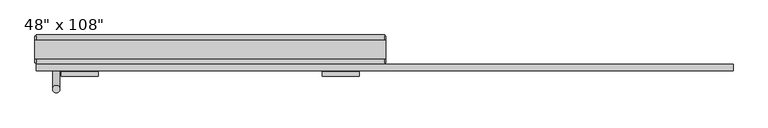
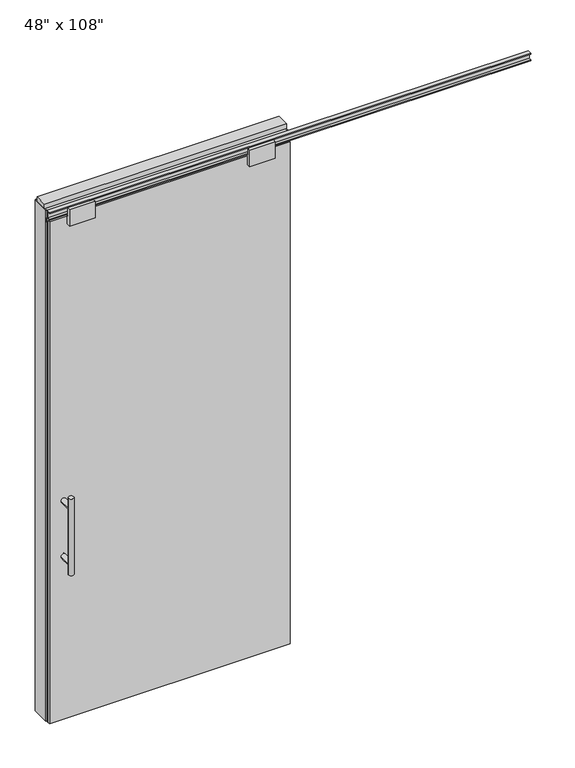
"""IFC4 building model written with IfcOpenShell, lengths in millimetres: furniture geometry."""

from ifc_helpers import new_model, si_unit, frame, origin, origin_with_axes, place, context, project, spatial, polyline, circle_curve, ellipse_curve, outline, extrude, source, transform, mapped, element, save
from ifc_brep_helpers import plane_surface, cylinder_surface, advanced_brep


def furniture_e03193cb(model_context):
    return source(origin(), model_context, "Body", "SolidModel", [
        extrude(outline(polyline([(545.6264771, -74.3677216), (-665.6995229, -74.3677216), (-665.6995229, -64.2077216), (545.6264771, -64.2077216), (545.6264771, -74.3677216)])), origin_with_axes(), (0.0, 0.0, 1.0), 2670.81),
        advanced_brep(
        [(-608.4225229, 3.3562784, 1219.2), (-583.0225229, 3.3562784, 1219.2), (-608.4225229, 3.3562784, 812.8), (-583.0225229, 3.3562784, 812.8), (-583.0225229, 3.3562784, 1164.336), (-583.0225229, 3.3562784, 867.664), (-608.4225229, 3.3562784, 867.664), (-608.4225229, 3.3562784, 1164.336), (-608.4225229, -64.2077216, 1164.336), (-583.0225229, -64.2077216, 1164.336), (-608.4225229, -64.2077216, 867.664), (-583.0225229, -64.2077216, 867.664)],
        [
            (0, 1, circle_curve(frame((-595.7225229, 3.3562784, 1219.2), z_axis=(0.0, 0.0, 1.0), x_axis=(1.0, 0.0, 0.0)), 12.7)),
            (1, 0, circle_curve(frame((-595.7225229, 3.3562784, 1219.2), z_axis=(0.0, 0.0, 1.0), x_axis=(1.0, 0.0, 0.0)), 12.7)),
            (2, 3, circle_curve(frame((-595.7225229, 3.3562784, 812.8), z_axis=(0.0, 0.0, -1.0), x_axis=(1.0, 0.0, 0.0)), 12.7)),
            (3, 2, circle_curve(frame((-595.7225229, 3.3562784, 812.8), z_axis=(0.0, 0.0, -1.0), x_axis=(1.0, 0.0, 0.0)), 12.7)),
            (1, 4),
            (4, 5),
            (5, 3),
            (2, 6),
            (6, 7),
            (7, 0),
            (6, 5, ellipse_curve(frame((-595.7225229, 3.3562784, 867.664), z_axis=(0.0, 0.707106781186565, 0.70710678118653), x_axis=(0.0, -0.70710678118653, 0.707106781186565)), 17.9605122, 12.7)),
            (4, 7, ellipse_curve(frame((-595.7225229, 3.3562784, 1164.336), z_axis=(0.0, 0.70710678118653, -0.7071067811865649), x_axis=(0.0, 0.7071067811865648, 0.7071067811865301)), 17.9605122, 12.7)),
            (7, 4, ellipse_curve(frame((-595.7225229, 3.3562784, 1164.336), z_axis=(0.0, 0.707106781186565, 0.70710678118653), x_axis=(0.0, -0.70710678118653, 0.707106781186565)), 17.9605122, 12.7)),
            (5, 6, ellipse_curve(frame((-595.7225229, 3.3562784, 867.664), z_axis=(0.0, 0.70710678118653, -0.7071067811865649), x_axis=(0.0, 0.7071067811865648, 0.7071067811865301)), 17.9605122, 12.7)),
            (8, 9, circle_curve(frame((-595.7225229, -64.2077216, 1164.336), z_axis=(0.0, -1.0, 0.0), x_axis=(1.0, 0.0, 0.0)), 12.7)),
            (9, 8, circle_curve(frame((-595.7225229, -64.2077216, 1164.336), z_axis=(0.0, -1.0, 0.0), x_axis=(1.0, 0.0, 0.0)), 12.7)),
            (8, 7),
            (4, 9),
            (10, 11, circle_curve(frame((-595.7225229, -64.2077216, 867.664), z_axis=(0.0, -1.0, 0.0), x_axis=(1.0, 0.0, 0.0)), 12.7)),
            (11, 10, circle_curve(frame((-595.7225229, -64.2077216, 867.664), z_axis=(0.0, -1.0, 0.0), x_axis=(1.0, 0.0, 0.0)), 12.7)),
            (10, 6),
            (5, 11),
        ],
        [
            plane_surface(frame((-583.0225229, 3.3562784, 1219.2), z_axis=(0.0, 0.0, 1.0), x_axis=(0.0, -1.0, 0.0))),
            plane_surface(frame((-583.0225229, 3.3562784, 812.8), z_axis=(0.0, 0.0, -1.0), x_axis=(0.0, 1.0, 0.0))),
            cylinder_surface(frame((-595.7225229, 3.3562784, 812.8), z_axis=(0.0, 0.0, 1.0), x_axis=(1.0, 0.0, 0.0)), 12.7),
            plane_surface(frame((-583.0225229, -64.2077216, 1164.336), z_axis=(0.0, -1.0, 0.0), x_axis=(0.0, 0.0, -1.0))),
            cylinder_surface(frame((-595.7225229, -64.2077216, 1164.336), z_axis=(0.0, 1.0, 0.0), x_axis=(1.0, 0.0, 0.0)), 12.7),
            plane_surface(frame((-583.0225229, -64.2077216, 867.664), z_axis=(0.0, -1.0, 0.0), x_axis=(0.0, 0.0, -1.0))),
            cylinder_surface(frame((-595.7225229, -64.2077216, 867.664), z_axis=(0.0, 1.0, 0.0), x_axis=(1.0, 0.0, 0.0)), 12.7),
        ],
        [
            (0, [[1, 2]]),
            (1, [[3, 4]]),
            (2, [[5, 6, 7, -3, 8, 9, 10, -2]]),
            (2, [[-9, 11, -6, 12]]),
            (2, [[-10, 13, -5, -1]]),
            (2, [[-7, 14, -8, -4]]),
            (3, [[15, 16]]),
            (4, [[17, -12, 18, -15]]),
            (4, [[-18, -13, -17, -16]]),
            (5, [[19, 20]]),
            (6, [[21, -14, 22, -19]]),
            (6, [[-22, -11, -21, -20]]),
        ],
    ),
        advanced_brep(
        [(-608.4225229, -141.9317216, 1219.2), (-583.0225229, -141.9317216, 1219.2), (-608.4225229, -141.9317216, 812.8), (-583.0225229, -141.9317216, 812.8), (-608.4225229, -141.9317216, 1164.336), (-608.4225229, -141.9317216, 867.664), (-583.0225229, -141.9317216, 867.664), (-583.0225229, -141.9317216, 1164.336), (-608.4225229, -74.3677216, 1164.336), (-583.0225229, -74.3677216, 1164.336), (-608.4225229, -74.3677216, 867.664), (-583.0225229, -74.3677216, 867.664)],
        [
            (0, 1, circle_curve(frame((-595.7225229, -141.9317216, 1219.2), z_axis=(0.0, 0.0, 1.0), x_axis=(1.0, 0.0, 0.0)), 12.7)),
            (1, 0, circle_curve(frame((-595.7225229, -141.9317216, 1219.2), z_axis=(0.0, 0.0, 1.0), x_axis=(1.0, 0.0, 0.0)), 12.7)),
            (2, 3, circle_curve(frame((-595.7225229, -141.9317216, 812.8), z_axis=(0.0, 0.0, -1.0), x_axis=(1.0, 0.0, 0.0)), 12.7)),
            (3, 2, circle_curve(frame((-595.7225229, -141.9317216, 812.8), z_axis=(0.0, 0.0, -1.0), x_axis=(1.0, 0.0, 0.0)), 12.7)),
            (0, 4),
            (4, 5),
            (5, 2),
            (3, 6),
            (6, 7),
            (7, 1),
            (7, 4, ellipse_curve(frame((-595.7225229, -141.9317216, 1164.336), z_axis=(0.0, -0.707106781186565, 0.70710678118653), x_axis=(0.0, 0.70710678118653, 0.707106781186565)), 17.9605122, 12.7)),
            (5, 6, ellipse_curve(frame((-595.7225229, -141.9317216, 867.664), z_axis=(0.0, -0.70710678118653, -0.7071067811865649), x_axis=(0.0, -0.7071067811865648, 0.7071067811865301)), 17.9605122, 12.7)),
            (4, 7, ellipse_curve(frame((-595.7225229, -141.9317216, 1164.336), z_axis=(0.0, -0.70710678118653, -0.7071067811865649), x_axis=(0.0, -0.7071067811865648, 0.7071067811865301)), 17.9605122, 12.7)),
            (6, 5, ellipse_curve(frame((-595.7225229, -141.9317216, 867.664), z_axis=(0.0, -0.707106781186565, 0.70710678118653), x_axis=(0.0, 0.70710678118653, 0.707106781186565)), 17.9605122, 12.7)),
            (8, 9, circle_curve(frame((-595.7225229, -74.3677216, 1164.336), z_axis=(0.0, 1.0, 0.0), x_axis=(1.0, 0.0, 0.0)), 12.7)),
            (9, 8, circle_curve(frame((-595.7225229, -74.3677216, 1164.336), z_axis=(0.0, 1.0, 0.0), x_axis=(1.0, 0.0, 0.0)), 12.7)),
            (9, 7),
            (4, 8),
            (10, 11, circle_curve(frame((-595.7225229, -74.3677216, 867.664), z_axis=(0.0, 1.0, 0.0), x_axis=(1.0, 0.0, 0.0)), 12.7)),
            (11, 10, circle_curve(frame((-595.7225229, -74.3677216, 867.664), z_axis=(0.0, 1.0, 0.0), x_axis=(1.0, 0.0, 0.0)), 12.7)),
            (11, 6),
            (5, 10),
        ],
        [
            plane_surface(frame((-583.0225229, -141.9317216, 1219.2), z_axis=(0.0, 0.0, 1.0), x_axis=(0.0, 1.0, 0.0))),
            plane_surface(frame((-583.0225229, -141.9317216, 812.8), z_axis=(0.0, 0.0, -1.0), x_axis=(0.0, -1.0, 0.0))),
            cylinder_surface(frame((-595.7225229, -141.9317216, 812.8), z_axis=(0.0, 0.0, 1.0), x_axis=(1.0, 0.0, 0.0)), 12.7),
            plane_surface(frame((-583.0225229, -74.3677216, 1164.336), z_axis=(0.0, 1.0, 0.0), x_axis=(0.0, 0.0, -1.0))),
            cylinder_surface(frame((-595.7225229, -74.3677216, 1164.336), z_axis=(0.0, -1.0, 0.0), x_axis=(1.0, 0.0, 0.0)), 12.7),
            plane_surface(frame((-583.0225229, -74.3677216, 867.664), z_axis=(0.0, 1.0, 0.0), x_axis=(0.0, 0.0, -1.0))),
            cylinder_surface(frame((-595.7225229, -74.3677216, 867.664), z_axis=(0.0, -1.0, 0.0), x_axis=(1.0, 0.0, 0.0)), 12.7),
        ],
        [
            (0, [[1, 2]]),
            (1, [[3, 4]]),
            (2, [[-1, 5, 6, 7, -4, 8, 9, 10]]),
            (2, [[-2, -10, 11, -5]]),
            (2, [[-3, -7, 12, -8]]),
            (2, [[13, -9, 14, -6]]),
            (3, [[15, 16]]),
            (4, [[-16, 17, -13, 18]]),
            (4, [[-15, -18, -11, -17]]),
            (5, [[19, 20]]),
            (6, [[-20, 21, -12, 22]]),
            (6, [[-19, -22, -14, -21]]),
        ],
    ),
        extrude(outline(polyline([(-63.1282216, 2628.9), (-63.1282216, 2670.81), (-75.4472216, 2670.81), (-75.4472216, 2628.9), (-97.6722216, 2628.9), (-97.6722216, 2717.8), (-82.1782216, 2717.8), (-82.1782216, 2676.779), (-59.5722216, 2676.779), (-59.5722216, 2628.9), (-63.1282216, 2628.9)])), frame((-577.4345229, 0.0, 0.0), z_axis=(1.0, 0.0, 0.0), x_axis=(0.0, 1.0, 0.0)), (0.0, 0.0, 1.0), 128.016),
        extrude(outline(polyline([(-63.1282216, 2628.9), (-63.1282216, 2670.81), (-75.4472216, 2670.81), (-75.4472216, 2628.9), (-97.6722216, 2628.9), (-97.6722216, 2717.8), (-82.1782216, 2717.8), (-82.1782216, 2676.779), (-59.5722216, 2676.779), (-59.5722216, 2628.9), (-63.1282216, 2628.9)])), frame((329.3454771, 0.0, 0.0), z_axis=(1.0, 0.0, 0.0), x_axis=(0.0, 1.0, 0.0)), (0.0, 0.0, 1.0), 128.016),
        extrude(outline(polyline([(-77.9237216, 2681.478), (-77.9237216, 2686.812), (-65.2237216, 2686.812), (-65.2237216, 2715.768), (-77.9237216, 2715.768), (-77.9237216, 2721.102), (-56.2067216, 2721.102), (-56.2067216, 2681.478), (-77.9237216, 2681.478)])), frame((-665.6995229, 0.0, 0.0), z_axis=(1.0, 0.0, 0.0), x_axis=(0.0, 1.0, 0.0)), (0.0, 0.0, 1.0), 2422.652),
        extrude(outline(polyline([(-665.6995229, -55.3177216), (-665.6995229, 46.2822784), (545.6264771, 46.2822784), (545.6264771, -55.3177216), (-665.6995229, -55.3177216)])), frame((0.0, 0.0, 2654.3), z_axis=(0.0, 0.0, 1.0), x_axis=(1.0, 0.0, 0.0)), (0.0, 0.0, 1.0), 22.225),
        extrude(outline(polyline([(549.5634771, -50.3647216), (545.6264771, -50.3647216), (545.6264771, 41.3292784), (549.5634771, 41.3292784), (549.5634771, -50.3647216)])), origin_with_axes(), (0.0, 0.0, 1.0), 2717.8),
        extrude(outline(polyline([(-669.6365229, -50.3647216), (-669.6365229, 41.3292784), (-665.6995229, 41.3292784), (-665.6995229, -50.3647216), (-669.6365229, -50.3647216)])), origin_with_axes(), (0.0, 0.0, 1.0), 2717.8),
        extrude(outline(polyline([(523.4014771, -55.3177216), (523.4014771, 46.2822784), (545.6264771, 46.2822784), (545.6264771, -55.3177216), (523.4014771, -55.3177216)])), origin_with_axes(), (0.0, 0.0, 1.0), 2654.3),
        extrude(outline(polyline([(-643.4745229, -55.3177216), (-665.6995229, -55.3177216), (-665.6995229, 46.2822784), (-643.4745229, 46.2822784), (-643.4745229, -55.3177216)])), origin_with_axes(), (0.0, 0.0, 1.0), 2654.3),
        extrude(outline(polyline([(-55.3177216, 2681.478), (-55.3177216, 2717.8), (46.2822784, 2717.8), (46.2822784, 2681.478), (41.3292784, 2681.478), (41.3292784, 2676.525), (-50.3647216, 2676.525), (-50.3647216, 2681.478), (-55.3177216, 2681.478)])), frame((-665.6995229, 0.0, 0.0), z_axis=(1.0, 0.0, 0.0), x_axis=(0.0, 1.0, 0.0)), (0.0, 0.0, 1.0), 1211.326),
        extrude(outline(polyline([(-669.6365229, -37.0297216), (-669.6365229, 27.9942784), (549.5634771, 27.9942784), (549.5634771, -37.0297216), (-669.6365229, -37.0297216)])), frame((0.0, 0.0, 2717.8), z_axis=(0.0, 0.0, 1.0), x_axis=(1.0, 0.0, 0.0)), (0.0, 0.0, 1.0), 25.4),
    ])


if __name__ == "__main__":
    model = new_model("IFC4")
    model_context = context("Model", 3, world=origin())
    ifc_project = project(units=[si_unit("LENGTHUNIT", "METRE", prefix="MILLI")], contexts=[model_context])
    site = spatial("IfcSite", under=ifc_project)
    building = spatial("IfcBuilding", under=site)
    placement = place(None, origin())
    furniture_shape = furniture_e03193cb(model_context)
    element("IfcFurniture", 1, ObjectType="48\" x 108\"", at=placement, inside=building, context=model_context, shape_type="MappedRepresentation", body=[
        mapped(furniture_shape, transform((0.0, 0.0, 0.0), x_axis=(1.0, 0.0, 0.0), y_axis=(0.0, 1.0, 0.0), z_axis=(0.0, 0.0, 1.0))),
    ])
    save(model, "model.ifc")
